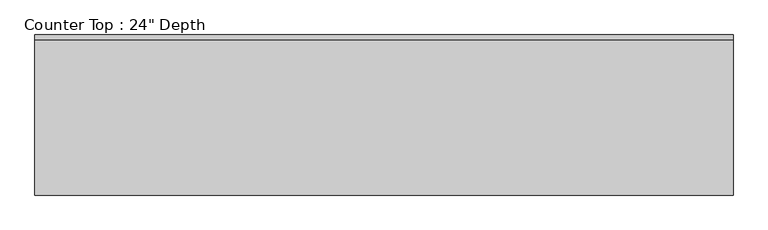
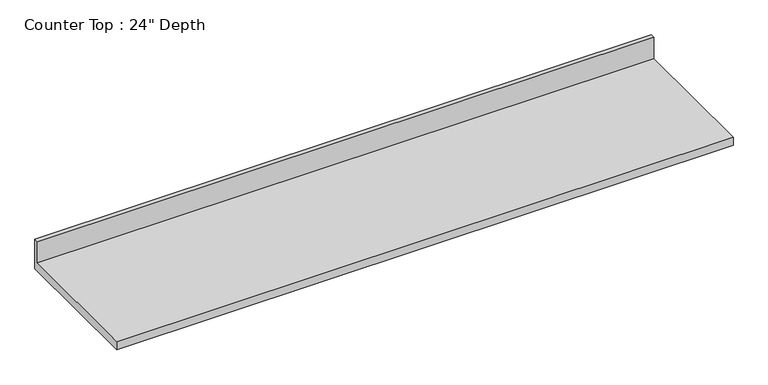
"""IFC4 building model written with IfcOpenShell, lengths in millimetres: furniture geometry."""

from ifc_helpers import new_model, si_unit, frame, origin, place, context, project, spatial, polyline, outline, extrude, source, transform, mapped, element, save


def furniture_2f23e838(model_context):
    return source(origin(), model_context, "Body", "SweptSolid", [
        extrude(outline(polyline([(0.0, 1016.0), (0.0, 876.3), (-635.0, 876.3), (-635.0, 914.4), (-19.05, 914.4), (-19.05, 1016.0), (0.0, 1016.0)])), frame((-1200.4622951, 0.0, 0.0), z_axis=(1.0, 0.0, 0.0), x_axis=(0.0, 1.0, 0.0)), (0.0, 0.0, 1.0), 2768.6),
    ])


if __name__ == "__main__":
    model = new_model("IFC4")
    model_context = context("Model", 3, world=origin())
    ifc_project = project(units=[si_unit("LENGTHUNIT", "METRE", prefix="MILLI")], contexts=[model_context])
    site = spatial("IfcSite", under=ifc_project)
    building = spatial("IfcBuilding", under=site)
    placement = place(None, origin())
    furniture_shape = furniture_2f23e838(model_context)
    element("IfcFurniture", 1, ObjectType="Counter Top : 24\" Depth", at=placement, inside=building, context=model_context, shape_type="MappedRepresentation", body=[
        mapped(furniture_shape, transform((0.0, 0.0, 0.0), x_axis=(1.0, 0.0, 0.0), y_axis=(0.0, 1.0, 0.0), z_axis=(0.0, 0.0, 1.0))),
    ])
    save(model, "model.ifc")
